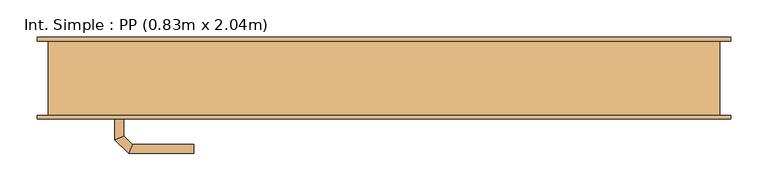
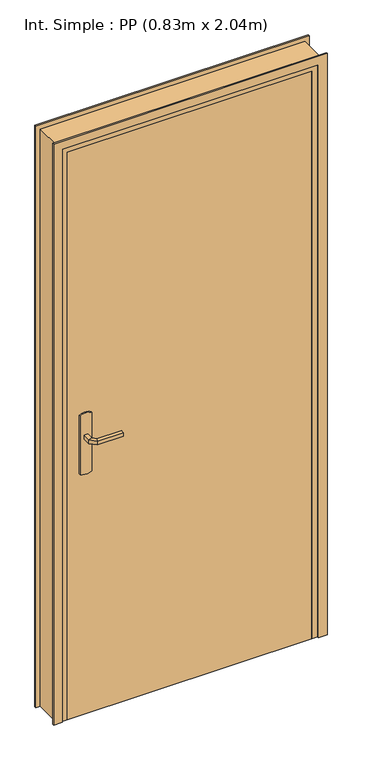
"""IFC4 building model written with IfcOpenShell, lengths in millimetres: door geometry, Int. Simple : PP (0.83m x 2.04m)."""

from ifc_helpers import new_model, si_unit, point, frame, frame_2d, origin, origin_with_axes, place, context, project, spatial, polyline, circle_curve, ellipse_curve, trimmed, segment, composite_curve, outline, extrude, faceted_brep, source, transform, mapped, element, save
from ifc_brep_helpers import plane_surface, cylinder_surface, advanced_brep


def int_simple_pp_0_83m_x_2_04m_e3456ee9(model_context):
    return source(origin(), model_context, "Body", "SolidModel", [
        extrude(outline(composite_curve([segment(trimmed(circle_curve(frame_2d((904.6410162, -390.0)), 40.0), [point((870.0, -410.0))], [point((870.0, -370.0))], False, "CARTESIAN"), True, "CONTINUOUS"), segment(polyline([(870.0, -370.0), (1080.0, -370.0)]), True, "CONTINUOUS"), segment(trimmed(circle_curve(frame_2d((1045.3589838, -390.0)), 40.0), [point((1080.0, -370.0))], [point((1080.0, -410.0))], False, "CARTESIAN"), True, "CONTINUOUS"), segment(polyline([(1080.0, -410.0), (870.0, -410.0)]), True, "CONTINUOUS")], self_intersect=False)), frame((0.0, -55.0, 0.0), z_axis=(0.0, 1.0, 0.0), x_axis=(0.0, 0.0, 1.0)), (0.0, 0.0, 1.0), 5.0),
        extrude(outline(composite_curve([segment(trimmed(circle_curve(frame_2d((1045.3589838, -390.0)), 40.0), [point((1080.0, -370.0))], [point((1080.0, -410.0))], False, "CARTESIAN"), True, "CONTINUOUS"), segment(polyline([(1080.0, -410.0), (870.0, -410.0)]), True, "CONTINUOUS"), segment(trimmed(circle_curve(frame_2d((904.6410162, -390.0)), 40.0), [point((870.0, -410.0))], [point((870.0, -370.0))], False, "CARTESIAN"), True, "CONTINUOUS"), segment(polyline([(870.0, -370.0), (1080.0, -370.0)]), True, "CONTINUOUS")], self_intersect=False)), frame((0.0, -10.0, 0.0), z_axis=(0.0, 1.0, 0.0), x_axis=(0.0, 0.0, 1.0)), (0.0, 0.0, 1.0), 5.0),
        advanced_brep(
        [(-396.0, -55.0, 1007.0), (-384.0, -55.0, 1007.0), (-384.0, -55.0, 993.0), (-396.0, -55.0, 993.0), (-396.0, -82.6509507, 1007.0), (-384.0, -77.680388, 1007.0), (-384.0, -77.680388, 993.0), (-396.0, -82.6509507, 993.0), (-377.62279, -101.0281607, 1007.0), (-372.6522273, -89.0281607, 1007.0), (-372.6522273, -89.0281607, 993.0), (-377.62279, -101.0281607, 993.0), (-289.9813594, -101.0281607, 1007.0), (-289.9813594, -101.0281607, 993.0), (-289.9813594, -89.0281607, 993.0), (-289.9813594, -89.0281607, 1007.0)],
        [
            (0, 1, circle_curve(frame((-390.0, -55.0, 986.9542278), z_axis=(0.0, 1.0, 0.0), x_axis=(1.0, 0.0, 0.0)), 20.9244589)),
            (1, 2),
            (2, 3, circle_curve(frame((-390.0, -55.0, 1013.0457722), z_axis=(0.0, 1.0, 0.0), x_axis=(1.0, 0.0, 0.0)), 20.9244589)),
            (3, 0),
            (0, 4),
            (4, 5, ellipse_curve(frame((-390.0, -80.1656693, 986.9542278), z_axis=(-0.3826834323651126, 0.9238795325112773, 0.0), x_axis=(0.9238795325112775, 0.38268343236511254, 0.0)), 22.6484711, 20.9244589)),
            (5, 1),
            (5, 6),
            (6, 2),
            (6, 7, ellipse_curve(frame((-390.0, -80.1656693, 1013.0457722), z_axis=(-0.3826834323651126, 0.9238795325112773, 0.0), x_axis=(0.9238795325112775, 0.38268343236511254, 0.0)), 22.6484711, 20.9244589)),
            (7, 3),
            (7, 4),
            (4, 8),
            (8, 9, ellipse_curve(frame((-375.1375086, -95.0281607, 986.9542278), z_axis=(-0.9238795325112962, 0.38268343236506686, 0.0), x_axis=(0.3826834323650665, 0.9238795325112965, 0.0)), 22.6484711, 20.9244589)),
            (9, 5),
            (9, 10),
            (10, 6),
            (10, 11, ellipse_curve(frame((-375.1375086, -95.0281607, 1013.0457722), z_axis=(-0.9238795325112962, 0.38268343236506686, 0.0), x_axis=(0.3826834323650665, 0.9238795325112965, 0.0)), 22.6484711, 20.9244589)),
            (11, 7),
            (11, 8),
            (12, 13),
            (13, 14, circle_curve(frame((-289.9813594, -95.0281607, 1013.0457722), z_axis=(1.0, 0.0, 0.0), x_axis=(0.0, 1.0, 0.0)), 20.9244589)),
            (14, 15),
            (15, 12, circle_curve(frame((-289.9813594, -95.0281607, 986.9542278), z_axis=(1.0, 0.0, 0.0), x_axis=(0.0, 1.0, 0.0)), 20.9244589)),
            (8, 12),
            (15, 9),
            (14, 10),
            (13, 11),
        ],
        [
            plane_surface(frame((-399.2195445, -55.0, 1000.0), z_axis=(0.0, 1.0, 0.0), x_axis=(0.0, 0.0, -1.0))),
            cylinder_surface(frame((-390.0, -55.0, 986.9542278), z_axis=(0.0, 1.0, 0.0), x_axis=(1.0, 0.0, 0.0)), 20.9244589),
            plane_surface(frame((-384.0, -55.0, 1007.0), z_axis=(1.0, 0.0, 0.0), x_axis=(0.0, -1.0, 0.0))),
            cylinder_surface(frame((-390.0, -55.0, 1013.0457722), z_axis=(0.0, 1.0, 0.0), x_axis=(1.0, 0.0, 0.0)), 20.9244589),
            plane_surface(frame((-396.0, -55.0, 993.0), z_axis=(-1.0, 0.0, 0.0), x_axis=(0.0, -1.0, 0.0))),
            cylinder_surface(frame((-390.0, -80.1656693, 986.9542278), z_axis=(-0.7071067811865798, 0.7071067811865152, 0.0), x_axis=(0.7071067811865152, 0.7071067811865798, 0.0)), 20.9244589),
            plane_surface(frame((-384.0, -77.680388, 1007.0), z_axis=(0.7071067811865152, 0.7071067811865799, 0.0), x_axis=(0.7071067811865799, -0.7071067811865152, 0.0))),
            cylinder_surface(frame((-390.0, -80.1656693, 1013.0457722), z_axis=(-0.7071067811865798, 0.7071067811865152, 0.0), x_axis=(0.7071067811865152, 0.7071067811865798, 0.0)), 20.9244589),
            plane_surface(frame((-396.0, -82.6509507, 993.0), z_axis=(-0.7071067811865152, -0.7071067811865799, 0.0), x_axis=(0.7071067811865799, -0.7071067811865152, 0.0))),
            plane_surface(frame((-289.9813594, -95.0281607, 990.7804555), z_axis=(1.0, 0.0, 0.0), x_axis=(0.0, 1.0, 0.0))),
            cylinder_surface(frame((-375.1375086, -95.0281607, 986.9542278), z_axis=(-1.0, 0.0, 0.0), x_axis=(0.0, 1.0, 0.0)), 20.9244589),
            plane_surface(frame((-372.6522273, -89.0281607, 1007.0), z_axis=(0.0, 1.0, 0.0), x_axis=(1.0, 0.0, 0.0))),
            cylinder_surface(frame((-375.1375086, -95.0281607, 1013.0457722), z_axis=(-1.0, 0.0, 0.0), x_axis=(0.0, 1.0, 0.0)), 20.9244589),
            plane_surface(frame((-377.62279, -101.0281607, 993.0), z_axis=(0.0, -1.0, 0.0), x_axis=(1.0, 0.0, 0.0))),
        ],
        [
            (0, [[1, 2, 3, 4]]),
            (1, [[-1, 5, 6, 7]]),
            (2, [[-2, -7, 8, 9]]),
            (3, [[-3, -9, 10, 11]]),
            (4, [[-4, -11, 12, -5]]),
            (5, [[-6, 13, 14, 15]]),
            (6, [[-8, -15, 16, 17]]),
            (7, [[-10, -17, 18, 19]]),
            (8, [[-12, -19, 20, -13]]),
            (9, [[21, 22, 23, 24]]),
            (10, [[-14, 25, -24, 26]]),
            (11, [[-16, -26, -23, 27]]),
            (12, [[-18, -27, -22, 28]]),
            (13, [[-20, -28, -21, -25]]),
        ],
    ),
        advanced_brep(
        [(-384.0, -5.0, 993.0), (-384.0, -5.0, 1007.0), (-396.0, -5.0, 1007.0), (-396.0, -5.0, 993.0), (-384.0, 17.4852045, 993.0), (-384.0, 17.4852045, 1007.0), (-396.0, 22.4557673, 1007.0), (-396.0, 22.4557673, 993.0), (-372.5147186, 28.9704859, 993.0), (-372.5147186, 28.9704859, 1007.0), (-377.4852814, 40.9704859, 1007.0), (-377.4852814, 40.9704859, 993.0), (-289.9542163, 28.9704859, 993.0), (-289.9542163, 40.9704859, 993.0), (-289.9542163, 40.9704859, 1007.0), (-289.9542163, 28.9704859, 1007.0)],
        [
            (0, 1),
            (1, 2, circle_curve(frame((-390.0, -5.0, 986.9542278), z_axis=(0.0, -1.0, 0.0), x_axis=(-1.0, 0.0, 0.0)), 20.9244589)),
            (2, 3),
            (3, 0, circle_curve(frame((-390.0, -5.0, 1013.0457722), z_axis=(0.0, -1.0, 0.0), x_axis=(-1.0, 0.0, 0.0)), 20.9244589)),
            (0, 4),
            (4, 5),
            (5, 1),
            (5, 6, ellipse_curve(frame((-390.0, 19.9704859, 986.9542278), z_axis=(-0.3826834323651055, -0.9238795325112801, 0.0), x_axis=(0.9238795325112799, -0.3826834323651064, 0.0)), 22.6484711, 20.9244589)),
            (6, 2),
            (6, 7),
            (7, 3),
            (7, 4, ellipse_curve(frame((-390.0, 19.9704859, 1013.0457722), z_axis=(-0.3826834323651055, -0.9238795325112801, 0.0), x_axis=(0.9238795325112799, -0.3826834323651064, 0.0)), 22.6484711, 20.9244589)),
            (4, 8),
            (8, 9),
            (9, 5),
            (9, 10, ellipse_curve(frame((-375.0, 34.9704859, 986.9542278), z_axis=(-0.9238795325112932, -0.382683432365074, 0.0), x_axis=(0.3826834323650737, -0.9238795325112934, 0.0)), 22.6484711, 20.9244589)),
            (10, 6),
            (10, 11),
            (11, 7),
            (11, 8, ellipse_curve(frame((-375.0, 34.9704859, 1013.0457722), z_axis=(-0.9238795325112932, -0.382683432365074, 0.0), x_axis=(0.3826834323650737, -0.9238795325112934, 0.0)), 22.6484711, 20.9244589)),
            (12, 13, circle_curve(frame((-289.9542163, 34.9704859, 1013.0457722), z_axis=(1.0, 0.0, 0.0), x_axis=(0.0, 1.0, 0.0)), 20.9244589)),
            (13, 14),
            (14, 15, circle_curve(frame((-289.9542163, 34.9704859, 986.9542278), z_axis=(1.0, 0.0, 0.0), x_axis=(0.0, 1.0, 0.0)), 20.9244589)),
            (15, 12),
            (8, 12),
            (15, 9),
            (14, 10),
            (13, 11),
        ],
        [
            plane_surface(frame((-399.2195445, -5.0, 1000.0), z_axis=(0.0, -1.0, 0.0), x_axis=(0.0, 0.0, 1.0))),
            plane_surface(frame((-384.0, -5.0, 993.0), z_axis=(1.0, 0.0, 0.0), x_axis=(0.0, 1.0, 0.0))),
            cylinder_surface(frame((-390.0, -5.0, 986.9542278), z_axis=(0.0, -1.0, 0.0), x_axis=(-1.0, 0.0, 0.0)), 20.9244589),
            plane_surface(frame((-396.0, -5.0, 1007.0), z_axis=(-1.0, 0.0, 0.0), x_axis=(0.0, 1.0, 0.0))),
            cylinder_surface(frame((-390.0, -5.0, 1013.0457722), z_axis=(0.0, -1.0, 0.0), x_axis=(-1.0, 0.0, 0.0)), 20.9244589),
            plane_surface(frame((-384.0, 17.4852045, 993.0), z_axis=(0.7071067811865208, -0.7071067811865742, 0.0), x_axis=(0.7071067811865742, 0.7071067811865208, 0.0))),
            cylinder_surface(frame((-390.0, 19.9704859, 986.9542278), z_axis=(-0.7071067811865742, -0.7071067811865208, 0.0), x_axis=(-0.7071067811865208, 0.7071067811865742, 0.0)), 20.9244589),
            plane_surface(frame((-396.0, 22.4557673, 1007.0), z_axis=(-0.7071067811865209, 0.7071067811865741, 0.0), x_axis=(0.7071067811865741, 0.7071067811865209, 0.0))),
            cylinder_surface(frame((-390.0, 19.9704859, 1013.0457722), z_axis=(-0.7071067811865742, -0.7071067811865208, 0.0), x_axis=(-0.7071067811865208, 0.7071067811865742, 0.0)), 20.9244589),
            plane_surface(frame((-289.9542163, 34.9704859, 990.7804555), z_axis=(1.0, 0.0, 0.0), x_axis=(0.0, 1.0, 0.0))),
            plane_surface(frame((-372.5147186, 28.9704859, 993.0), z_axis=(0.0, -1.0, 0.0), x_axis=(1.0, 0.0, 0.0))),
            cylinder_surface(frame((-375.0, 34.9704859, 986.9542278), z_axis=(-1.0, 0.0, 0.0), x_axis=(0.0, 1.0, 0.0)), 20.9244589),
            plane_surface(frame((-377.4852814, 40.9704859, 1007.0), z_axis=(0.0, 1.0, 0.0), x_axis=(1.0, 0.0, 0.0))),
            cylinder_surface(frame((-375.0, 34.9704859, 1013.0457722), z_axis=(-1.0, 0.0, 0.0), x_axis=(0.0, 1.0, 0.0)), 20.9244589),
        ],
        [
            (0, [[1, 2, 3, 4]]),
            (1, [[-1, 5, 6, 7]]),
            (2, [[-2, -7, 8, 9]]),
            (3, [[-3, -9, 10, 11]]),
            (4, [[-4, -11, 12, -5]]),
            (5, [[-6, 13, 14, 15]]),
            (6, [[-8, -15, 16, 17]]),
            (7, [[-10, -17, 18, 19]]),
            (8, [[-12, -19, 20, -13]]),
            (9, [[21, 22, 23, 24]]),
            (10, [[-14, 25, -24, 26]]),
            (11, [[-16, -26, -23, 27]]),
            (12, [[-18, -27, -22, 28]]),
            (13, [[-20, -28, -21, -25]]),
        ],
    ),
        extrude(outline(polyline([(-450.0, -10.0), (380.0, -10.0), (380.0, -50.0), (-450.0, -50.0), (-450.0, -10.0)])), origin_with_axes(), (0.0, 0.0, 1.0), 2040.0),
        faceted_brep([(-485.0, -50.0, 0.0), (-485.0, 50.0, 0.0), (-435.0, 50.0, 0.0), (-435.0, -10.0, 0.0), (-450.0, -10.0, 0.0), (-450.0, -50.0, 0.0), (-485.0, -50.0, 2075.0), (-485.0, 50.0, 2075.0), (415.0, 50.0, 2075.0), (415.0, 50.0, 0.0), (365.0, 50.0, 0.0), (365.0, 50.0, 2025.0), (-435.0, 50.0, 2025.0), (-435.0, -10.0, 2025.0), (365.0, -10.0, 2025.0), (365.0, -10.0, 0.0), (380.0, -10.0, 0.0), (380.0, -10.0, 2040.0), (-450.0, -10.0, 2040.0), (-450.0, -50.0, 2040.0), (380.0, -50.0, 2040.0), (380.0, -50.0, 0.0), (415.0, -50.0, 0.0), (415.0, -50.0, 2075.0)], [[[0, 1, 2, 3, 4, 5]], [[1, 0, 6, 7]], [[2, 1, 7, 8, 9, 10, 11, 12]], [[3, 2, 12, 13]], [[4, 3, 13, 14, 15, 16, 17, 18]], [[5, 4, 18, 19]], [[0, 5, 19, 20, 21, 22, 23, 6]], [[8, 23, 22, 9]], [[22, 21, 16, 15, 10, 9]], [[14, 11, 10, 15]], [[20, 17, 16, 21]], [[7, 6, 23, 8]], [[13, 12, 11, 14]], [[19, 18, 17, 20]]]),
        extrude(outline(polyline([(0.0, -500.0), (0.0, -470.0), (2060.0, -470.0), (2060.0, 400.0), (0.0, 400.0), (0.0, 430.0), (2090.0, 430.0), (2090.0, -500.0), (0.0, -500.0)])), frame((0.0, -55.0, 0.0), z_axis=(0.0, 1.0, 0.0), x_axis=(0.0, 0.0, 1.0)), (0.0, 0.0, 1.0), 5.0),
        extrude(outline(polyline([(0.0, -500.0), (0.0, -470.0), (2060.0, -470.0), (2060.0, 400.0), (0.0, 400.0), (0.0, 430.0), (2090.0, 430.0), (2090.0, -500.0), (0.0, -500.0)])), frame((0.0, 50.0, 0.0), z_axis=(0.0, 1.0, 0.0), x_axis=(0.0, 0.0, 1.0)), (0.0, 0.0, 1.0), 5.0),
    ])


if __name__ == "__main__":
    model = new_model("IFC4")
    model_context = context("Model", 3, world=origin())
    ifc_project = project(units=[si_unit("LENGTHUNIT", "METRE", prefix="MILLI")], contexts=[model_context])
    site = spatial("IfcSite", under=ifc_project)
    building = spatial("IfcBuilding", under=site)
    placement = place(None, origin())
    int_simple_pp_0_83m_x_2_04m_shape = int_simple_pp_0_83m_x_2_04m_e3456ee9(model_context)
    element("IfcDoor", 1, ObjectType="Int. Simple : PP (0.83m x 2.04m)", at=placement, inside=building, context=model_context, shape_type="MappedRepresentation", body=[
        mapped(int_simple_pp_0_83m_x_2_04m_shape, transform((0.0, 0.0, 0.0), x_axis=(1.0, 0.0, 0.0), y_axis=(0.0, 1.0, 0.0), z_axis=(0.0, 0.0, 1.0))),
    ])
    save(model, "model.ifc")
